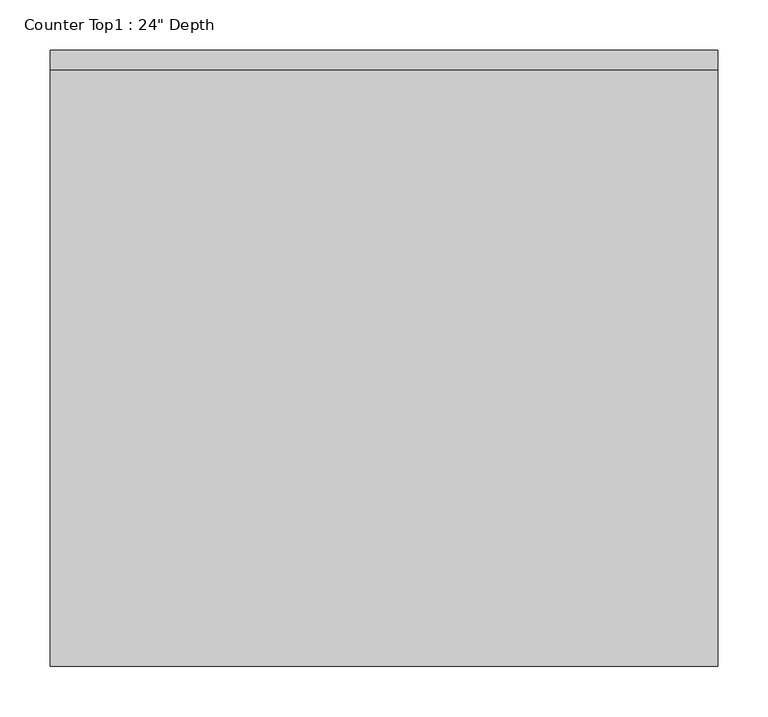
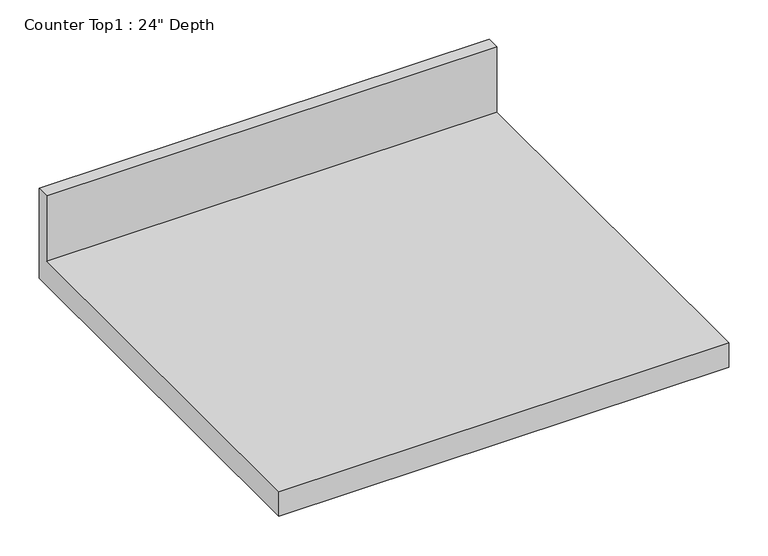
"""IFC4 building model written with IfcOpenShell, lengths in millimetres: furniture geometry."""

from ifc_helpers import new_model, si_unit, frame, origin, place, context, project, spatial, polyline, outline, extrude, source, transform, mapped, element, save


def furniture_d2e20169(model_context):
    return source(origin(), model_context, "Body", "SweptSolid", [
        extrude(outline(polyline([(0.0, 1016.0), (0.0, 876.3), (-609.6, 876.3), (-609.6, 914.4), (-19.05, 914.4), (-19.05, 1016.0), (0.0, 1016.0)])), frame((-1200.4622951, 0.0, 0.0), z_axis=(1.0, 0.0, 0.0), x_axis=(0.0, 1.0, 0.0)), (0.0, 0.0, 1.0), 660.4),
    ])


if __name__ == "__main__":
    model = new_model("IFC4")
    model_context = context("Model", 3, world=origin())
    ifc_project = project(units=[si_unit("LENGTHUNIT", "METRE", prefix="MILLI")], contexts=[model_context])
    site = spatial("IfcSite", under=ifc_project)
    building = spatial("IfcBuilding", under=site)
    placement = place(None, origin())
    furniture_shape = furniture_d2e20169(model_context)
    element("IfcFurniture", 1, ObjectType="Counter Top1 : 24\" Depth", at=placement, inside=building, context=model_context, shape_type="MappedRepresentation", body=[
        mapped(furniture_shape, transform((0.0, 0.0, 0.0), x_axis=(1.0, 0.0, 0.0), y_axis=(0.0, 1.0, 0.0), z_axis=(0.0, 0.0, 1.0))),
    ])
    save(model, "model.ifc")
